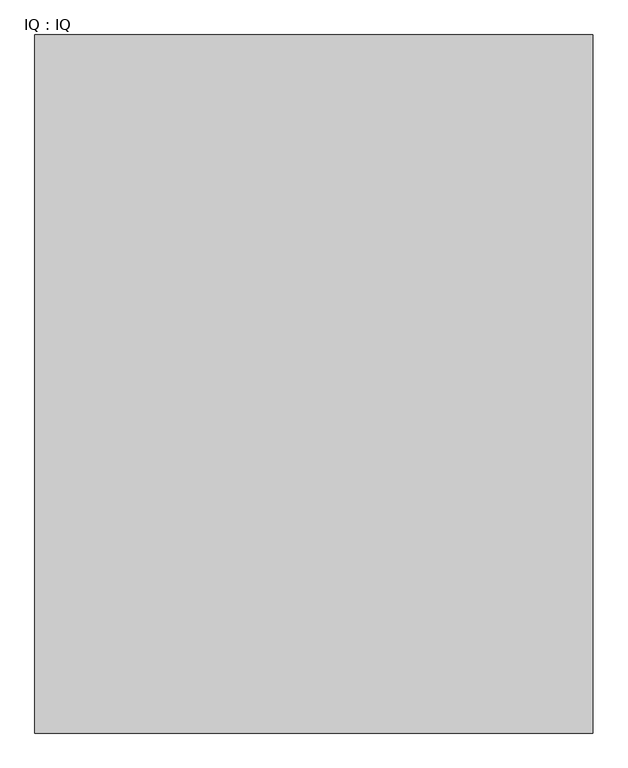
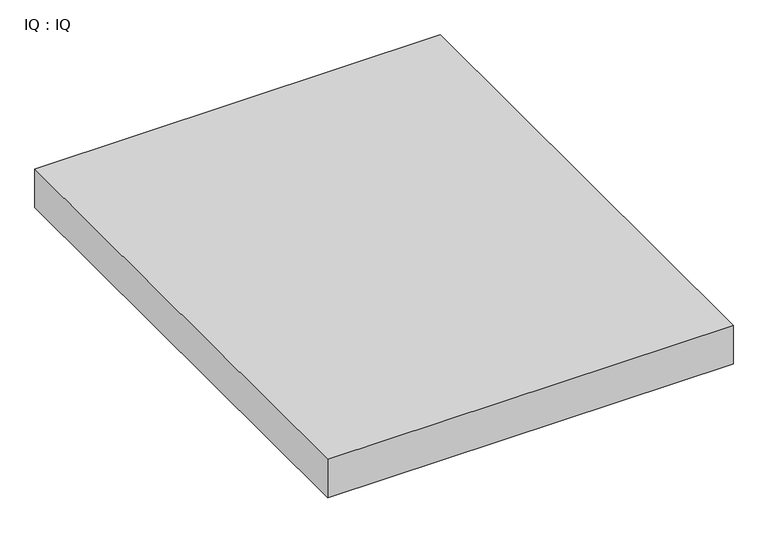
"""IFC4 building model written with IfcOpenShell, lengths in millimetres: proxy geometry, IQ : IQ."""

from ifc_helpers import new_model, si_unit, frame, origin, place, context, project, spatial, polyline, outline, extrude, source, transform, mapped, element, save


def iq_iq_c7769179(model_context):
    return source(origin(), model_context, "Body", "SweptSolid", [
        extrude(outline(polyline([(2000.0, 2500.0), (2000.0, 0.0), (0.0, 0.0), (0.0, 2500.0), (2000.0, 2500.0)])), frame((0.0, 0.0, 300.0), z_axis=(0.0, 0.0, 1.0), x_axis=(1.0, 0.0, 0.0)), (0.0, 0.0, 1.0), 200.0),
    ])


if __name__ == "__main__":
    model = new_model("IFC4")
    model_context = context("Model", 3, world=origin())
    ifc_project = project(units=[si_unit("LENGTHUNIT", "METRE", prefix="MILLI")], contexts=[model_context])
    site = spatial("IfcSite", under=ifc_project)
    building = spatial("IfcBuilding", under=site)
    placement = place(None, origin())
    iq_iq_shape = iq_iq_c7769179(model_context)
    element("IfcBuildingElementProxy", 1, Name="IQ : IQ", ObjectType="IQ : IQ", at=placement, inside=building, context=model_context, shape_type="MappedRepresentation", body=[
        mapped(iq_iq_shape, transform((0.0, 0.0, 0.0), x_axis=(1.0, 0.0, 0.0), y_axis=(0.0, 1.0, 0.0), z_axis=(0.0, 0.0, 1.0))),
    ])
    save(model, "model.ifc")
